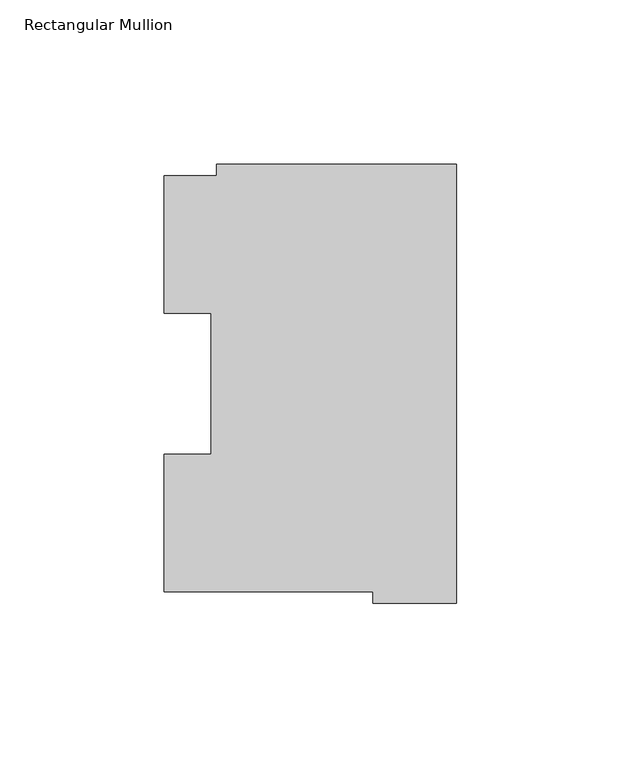
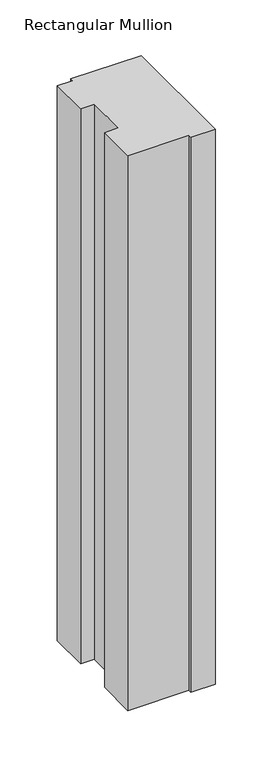
"""IFC4 building model written with IfcOpenShell, lengths in millimetres: member geometry, Rectangular Mullion."""

from ifc_helpers import new_model, si_unit, frame, origin, place, context, project, spatial, polyline, outline, extrude, source, transform, mapped, element, save


def rectangular_mullion_629b373a(model_context):
    return source(origin(), model_context, "Body", "SweptSolid", [
        extrude(outline(polyline([(-72.9776553, 130.1706837), (0.0, 130.1706837), (0.0, -3.193538), (-25.3822228, -3.193538), (-25.3822228, 0.26035), (-88.8822228, 0.26035), (-88.8822228, 42.0485036), (-74.5923808, 42.0485036), (-74.5923808, 84.93125), (-88.8822228, 84.93125), (-88.8822228, 126.75235), (-72.9776553, 126.75235), (-72.9776553, 130.1706837)])), frame((0.0, 0.0, -609.6), z_axis=(0.0, 0.0, 1.0), x_axis=(1.0, 0.0, 0.0)), (0.0, 0.0, 1.0), 609.6),
    ])


if __name__ == "__main__":
    model = new_model("IFC4")
    model_context = context("Model", 3, world=origin())
    ifc_project = project(units=[si_unit("LENGTHUNIT", "METRE", prefix="MILLI")], contexts=[model_context])
    site = spatial("IfcSite", under=ifc_project)
    building = spatial("IfcBuilding", under=site)
    placement = place(None, origin())
    rectangular_mullion_shape = rectangular_mullion_629b373a(model_context)
    element("IfcMember", 1, ObjectType="Rectangular Mullion", at=placement, inside=building, context=model_context, shape_type="MappedRepresentation", body=[
        mapped(rectangular_mullion_shape, transform((0.0, 0.0, 0.0), x_axis=(1.0, 0.0, 0.0), y_axis=(0.0, 1.0, 0.0), z_axis=(0.0, 0.0, 1.0))),
    ])
    save(model, "model.ifc")
